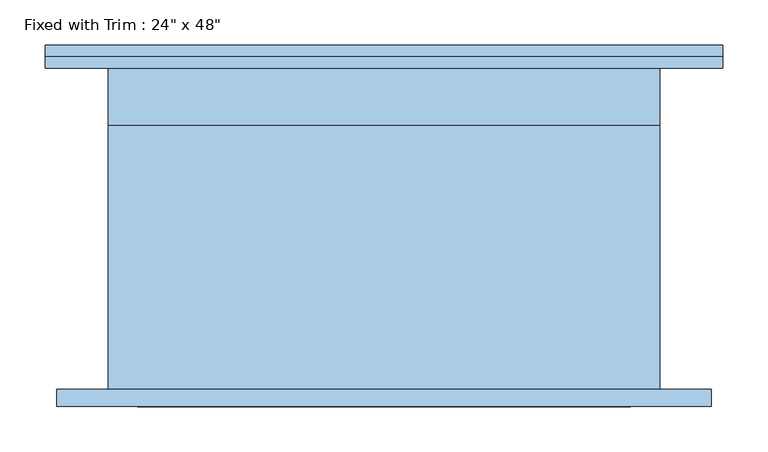
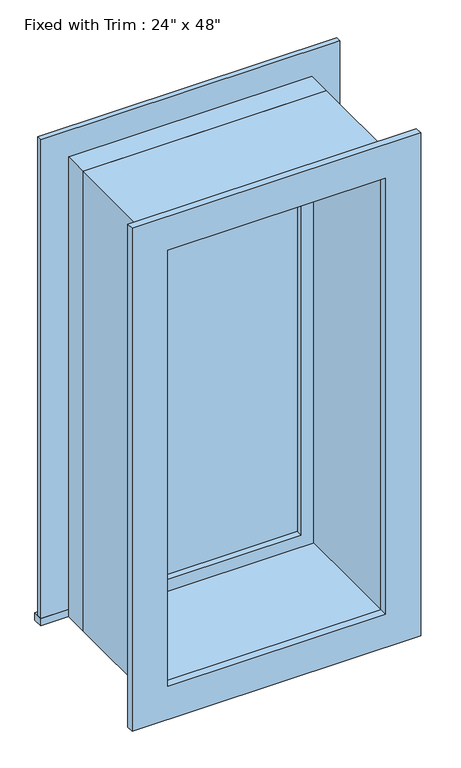
"""IFC4 building model written with IfcOpenShell, lengths in millimetres: window geometry."""

from ifc_helpers import new_model, si_unit, frame, origin, place, context, project, spatial, polyline, outline, extrude, source, transform, mapped, element, save


def window_b13a2993(model_context):
    return source(origin(), model_context, "Body", "SweptSolid", [
        extrude(outline(polyline([(-412.75, 203.2), (336.55, 203.2), (336.55, 177.8), (-412.75, 177.8), (-412.75, 203.2)])), frame((0.0, 0.0, 914.4), z_axis=(0.0, 0.0, 1.0), x_axis=(1.0, 0.0, 0.0)), (0.0, 0.0, 1.0), 19.05),
        extrude(outline(polyline([(2114.55, -323.85), (2114.55, 247.65), (933.45, 247.65), (933.45, 336.55), (2203.45, 336.55), (2203.45, -412.75), (933.45, -412.75), (933.45, -323.85), (2114.55, -323.85)])), frame((0.0, 177.8, 0.0), z_axis=(0.0, 1.0, 0.0), x_axis=(0.0, 0.0, 1.0)), (0.0, 0.0, 1.0), 12.7),
        extrude(outline(polyline([(2190.75, 323.85), (2190.75, -400.05), (857.25, -400.05), (857.25, 323.85), (2190.75, 323.85)]), holes=[polyline([(2101.85, 234.95), (946.15, 234.95), (946.15, -311.15), (2101.85, -311.15), (2101.85, 234.95)])]), frame((0.0, -196.85, 0.0), z_axis=(0.0, 1.0, 0.0), x_axis=(0.0, 0.0, 1.0)), (0.0, 0.0, 1.0), 19.05),
        extrude(outline(polyline([(203.2, 130.175), (-279.4, 130.175), (-279.4, 142.875), (203.2, 142.875), (203.2, 130.175)])), frame((0.0, 0.0, 977.9), z_axis=(0.0, 0.0, 1.0), x_axis=(1.0, 0.0, 0.0)), (0.0, 0.0, 1.0), 1092.2),
        extrude(outline(polyline([(2114.55, -323.85), (933.45, -323.85), (933.45, 247.65), (2114.55, 247.65), (2114.55, -323.85)]), holes=[polyline([(2070.1, -279.4), (2070.1, 203.2), (977.9, 203.2), (977.9, -279.4), (2070.1, -279.4)])]), frame((0.0, 114.3, 0.0), z_axis=(0.0, 1.0, 0.0), x_axis=(0.0, 0.0, 1.0)), (0.0, 0.0, 1.0), 44.45),
        extrude(outline(polyline([(2133.6, -342.9), (914.4, -342.9), (914.4, 266.7), (2133.6, 266.7), (2133.6, -342.9)]), holes=[polyline([(2101.85, -311.15), (2101.85, 234.95), (946.15, 234.95), (946.15, -311.15), (2101.85, -311.15)])]), frame((0.0, -177.8, 0.0), z_axis=(0.0, 1.0, 0.0), x_axis=(0.0, 0.0, 1.0)), (0.0, 0.0, 1.0), 292.1),
        extrude(outline(polyline([(2133.6, 266.7), (2133.6, -342.9), (914.4, -342.9), (914.4, 266.7), (2133.6, 266.7)]), holes=[polyline([(2114.55, 247.65), (933.45, 247.65), (933.45, -323.85), (2114.55, -323.85), (2114.55, 247.65)])]), frame((0.0, 114.3, 0.0), z_axis=(0.0, 1.0, 0.0), x_axis=(0.0, 0.0, 1.0)), (0.0, 0.0, 1.0), 63.5),
    ])


if __name__ == "__main__":
    model = new_model("IFC4")
    model_context = context("Model", 3, world=origin())
    ifc_project = project(units=[si_unit("LENGTHUNIT", "METRE", prefix="MILLI")], contexts=[model_context])
    site = spatial("IfcSite", under=ifc_project)
    building = spatial("IfcBuilding", under=site)
    placement = place(None, origin())
    window_shape = window_b13a2993(model_context)
    element("IfcWindow", 1, ObjectType="Fixed with Trim : 24\" x 48\"", at=placement, inside=building, context=model_context, shape_type="MappedRepresentation", body=[
        mapped(window_shape, transform((0.0, 0.0, 0.0), x_axis=(1.0, 0.0, 0.0), y_axis=(0.0, 1.0, 0.0), z_axis=(0.0, 0.0, 1.0))),
    ])
    save(model, "model.ifc")
